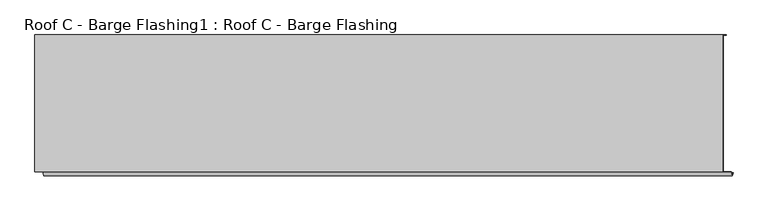
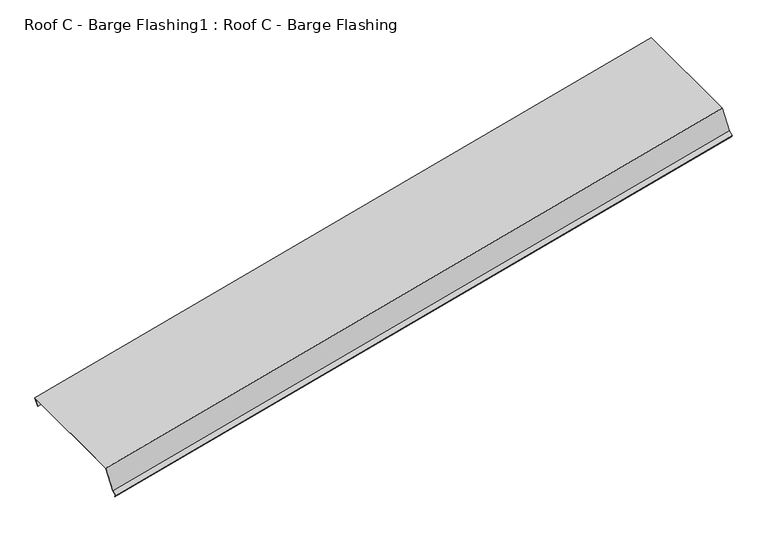
"""IFC4 building model written with IfcOpenShell, lengths in millimetres: proxy geometry, Roof C - Barge Flashing1 : Roof C - Barge Flashing."""

from ifc_helpers import new_model, si_unit, frame, origin, place, context, project, spatial, polyline, outline, extrude, source, transform, mapped, element, save


def roof_c_barge_flashing1_roof_c_barge_flashing_64121f8f(model_context):
    return source(origin(), model_context, "Body", "SweptSolid", [
        extrude(outline(polyline([(-469.9839668, -107.6029118), (-469.9839668, -67.6029117), (-468.9839668, -67.6029117), (-468.9839668, -106.6029117), (18.2657646, -106.6029117), (18.2657646, 2.8113018), (31.9936867, 16.5392239), (22.0941918, 26.4387188), (22.8012985, 27.1458256), (33.4079003, 16.5392239), (19.2657646, 2.3970882), (19.2657646, -107.6029118), (-469.9839668, -107.6029118)])), frame((38689.801266, -15047.7251597, 3194.1221318), z_axis=(0.9659258262890684, 0.0, 0.2588190451025201), x_axis=(0.0, -1.0, 0.0)), (0.0, 0.0, 1.0), 2546.2367807),
    ])


if __name__ == "__main__":
    model = new_model("IFC4")
    model_context = context("Model", 3, world=origin())
    ifc_project = project(units=[si_unit("LENGTHUNIT", "METRE", prefix="MILLI")], contexts=[model_context])
    site = spatial("IfcSite", under=ifc_project)
    building = spatial("IfcBuilding", under=site)
    placement = place(None, origin())
    roof_c_barge_flashing1_roof_c_barge_flashing_shape = roof_c_barge_flashing1_roof_c_barge_flashing_64121f8f(model_context)
    element("IfcBuildingElementProxy", 1, Name="Roof C - Barge Flashing1 : Roof C - Barge Flashing", ObjectType="Roof C - Barge Flashing1 : Roof C - Barge Flashing", at=placement, inside=building, context=model_context, shape_type="MappedRepresentation", body=[
        mapped(roof_c_barge_flashing1_roof_c_barge_flashing_shape, transform((0.0, 0.0, 0.0), x_axis=(1.0, 0.0, 0.0), y_axis=(0.0, 1.0, 0.0), z_axis=(0.0, 0.0, 1.0))),
    ])
    save(model, "model.ifc")
